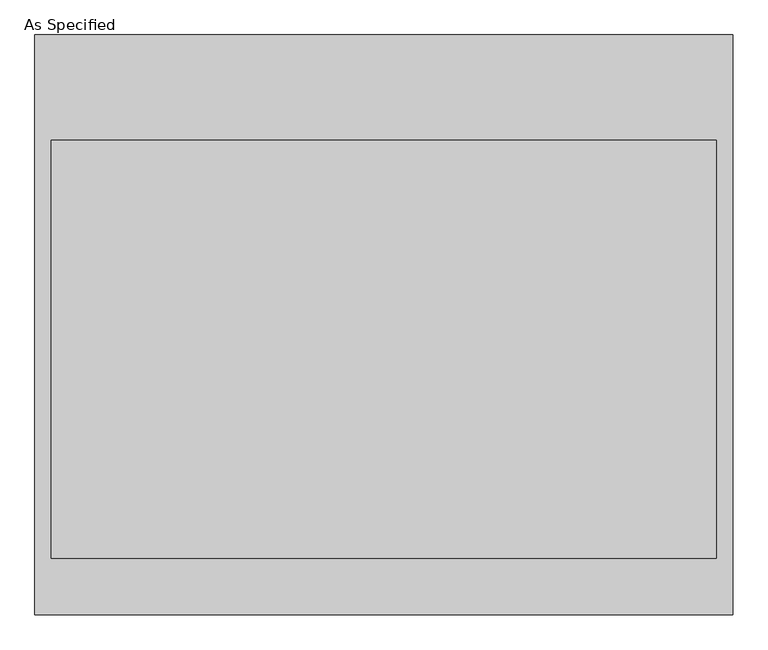
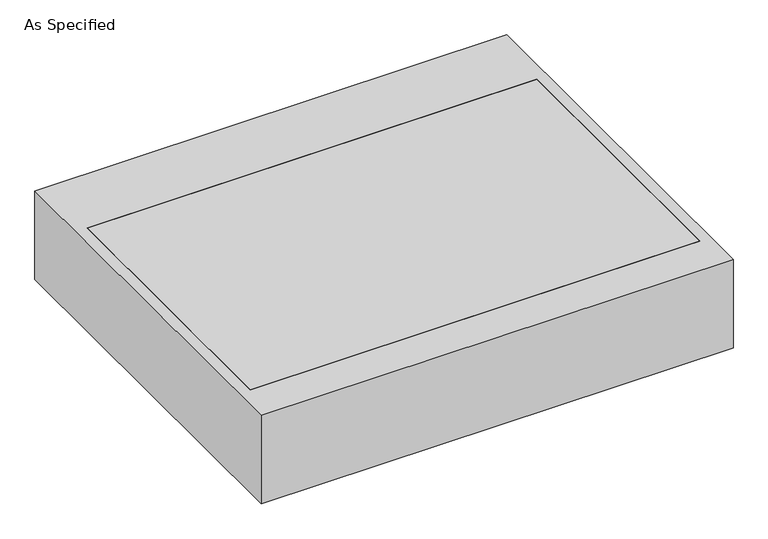
"""IFC4 building model written with IfcOpenShell, lengths in millimetres: proxy geometry, As Specified."""

import ifcopenshell
import ifcopenshell.guid

model = None  # the IFC model being written
_history = None  # IfcOwnerHistory: only IFC2X3 demands one
_inside = {}  # id of a spatial element -> (the spatial element, [elements in it])
_under = {}  # id of a project, library or spatial element -> (it, [spatial elements below it])
_declared = {}  # id of a project -> (the project, [libraries it declares])
_typed = {}  # id of a type object -> (the type object, [elements of that type])
_made_of = {}  # id of a material, layer set ... -> (it, [elements and type objects made of it])


def new_model(schema):
    """Start an empty IFC model of exactly this schema.

    Asked for "IFC4X3", IfcOpenShell would pick the latest addendum, in which some entities
    have other attributes; the version numbers below select the first issue.
    IFC2X3 requires an IfcOwnerHistory on every rooted entity: one is made here for all.
    """
    global model, _history
    if schema == "IFC4X3":
        model = ifcopenshell.file(schema_version=(4, 3, 0, 0))
    else:
        model = ifcopenshell.file(schema=schema)
    _inside.clear()
    _under.clear()
    _declared.clear()
    _typed.clear()
    _made_of.clear()
    _history = None
    if model.schema == "IFC2X3":
        org = make("IfcOrganization", Name="unknown")
        user = make(
            "IfcPersonAndOrganization",
            ThePerson=make("IfcPerson", FamilyName="unknown"),
            TheOrganization=org,
        )
        app = make(
            "IfcApplication",
            ApplicationDeveloper=org,
            Version="unknown",
            ApplicationFullName="unknown",
            ApplicationIdentifier="unknown",
        )
        _history = make(
            "IfcOwnerHistory",
            OwningUser=user,
            OwningApplication=app,
            ChangeAction="ADDED",
            CreationDate=0,
        )
    return model


def make(cls, **values):
    """One entity of the class cls with the attributes given. An attribute that is None is left unset."""
    return model.create_entity(
        cls, **{name: value for name, value in values.items() if value is not None}
    )


def rooted(cls, **values):
    """An entity with a GlobalId (a new one), such as an element, a storey or a relation."""
    return make(cls, GlobalId=ifcopenshell.guid.new(), OwnerHistory=_history, **values)


def si_unit(unit_type, name, prefix=None):
    """IfcSIUnit, for example si_unit("LENGTHUNIT", "METRE", prefix="MILLI")."""
    return make("IfcSIUnit", UnitType=unit_type, Prefix=prefix, Name=name)


def assignment(units):
    """IfcUnitAssignment: the units of a project."""
    return None if units is None else make("IfcUnitAssignment", Units=units)


def point(xyz):
    """IfcCartesianPoint."""
    return None if xyz is None else make("IfcCartesianPoint", Coordinates=xyz)


def direction(xyz):
    """IfcDirection."""
    return None if xyz is None else make("IfcDirection", DirectionRatios=xyz)


def frame(location, z_axis=None, x_axis=None):
    """IfcAxis2Placement3D, a coordinate frame: its origin and axes. An axis left out is left unset."""
    return make(
        "IfcAxis2Placement3D",
        Location=point(location),
        Axis=direction(z_axis),
        RefDirection=direction(x_axis),
    )


def origin():
    """The frame at (0, 0, 0) with its axes left unset."""
    return frame((0.0, 0.0, 0.0))


def place(relative_to, where):
    """IfcLocalPlacement: puts the frame where relative to a parent placement (None: the world)."""
    return make(
        "IfcLocalPlacement", PlacementRelTo=relative_to, RelativePlacement=where
    )


def context(
    kind, dimensions, precision=None, world=None, true_north=None, identifier=None
):
    """IfcGeometricRepresentationContext, for example the 3D "Model" context."""
    return make(
        "IfcGeometricRepresentationContext",
        ContextIdentifier=identifier,
        ContextType=kind,
        CoordinateSpaceDimension=dimensions,
        Precision=precision,
        WorldCoordinateSystem=world,
        TrueNorth=true_north,
    )


def project(units=None, contexts=None):
    """IfcProject with its units and contexts."""
    return rooted(
        "IfcProject",
        Name="project",
        RepresentationContexts=contexts,
        UnitsInContext=assignment(units),
    )


def spatial(cls, under=None, at=None, **own):
    """A site, building, storey or space (cls), placed at a placement, below another one or the project."""
    s = rooted(cls, ObjectPlacement=at, **own)
    if under is not None:
        _under.setdefault(under.id(), (under, []))[1].append(s)
    return s


def polyline(points):
    """IfcPolyline through the points."""
    return make("IfcPolyline", Points=[point(p) for p in points])


def outline(outer, holes=None, kind="AREA"):
    """IfcArbitraryClosedProfileDef: a profile drawn as a closed curve; with holes, ...WithVoids."""
    if holes is None:
        return make("IfcArbitraryClosedProfileDef", ProfileType=kind, OuterCurve=outer)
    return make(
        "IfcArbitraryProfileDefWithVoids",
        ProfileType=kind,
        OuterCurve=outer,
        InnerCurves=holes,
    )


def extrude(swept, where, along, depth):
    """IfcExtrudedAreaSolid: the profile swept, set in the frame where, extruded along a direction by depth."""
    return make(
        "IfcExtrudedAreaSolid",
        SweptArea=swept,
        Position=where,
        ExtrudedDirection=direction(along),
        Depth=depth,
    )


def faces_of(points, faces, orient=None, outer=None):
    """IfcFace entities. A face is a list of loops; a loop is a list of indices into points, from 0.

    orient and outer hold one flag for each loop. By default every Orientation is true, the
    first loop of a face is its IfcFaceOuterBound and the others are IfcFaceBound.
    """
    made = []
    for i, loops in enumerate(faces):
        bounds = []
        for j, loop in enumerate(loops):
            is_outer = j == 0 if outer is None else outer[i][j]
            bounds.append(
                make(
                    "IfcFaceOuterBound" if is_outer else "IfcFaceBound",
                    Bound=make("IfcPolyLoop", Polygon=[points[k] for k in loop]),
                    Orientation=True if orient is None else orient[i][j],
                )
            )
        made.append(make("IfcFace", Bounds=bounds))
    return made


def faceted_brep(points, faces, orient=None, outer=None, voids=None):
    """IfcFacetedBrep: a solid bounded by flat faces; with voids (closed shells), ...WithVoids."""
    shared = [point(p) for p in points]
    hull = make("IfcClosedShell", CfsFaces=faces_of(shared, faces, orient, outer))
    if voids is None:
        return make("IfcFacetedBrep", Outer=hull)
    return make(
        "IfcFacetedBrepWithVoids",
        Outer=hull,
        Voids=[
            make(cls, CfsFaces=faces_of(shared, fs, o, b)) for cls, fs, o, b in voids
        ],
    )


def shape(context_of_items, identifier, shape_type, items):
    """IfcShapeRepresentation: the items that make up one representation, for example the "Body"."""
    return make(
        "IfcShapeRepresentation",
        ContextOfItems=context_of_items,
        RepresentationIdentifier=identifier,
        RepresentationType=shape_type,
        Items=items,
    )


def source(mapping_origin, context_of_items, identifier, shape_type, items):
    """IfcRepresentationMap: a shape defined once, which mapped items show again and again."""
    return make(
        "IfcRepresentationMap",
        MappingOrigin=mapping_origin,
        MappedRepresentation=shape(context_of_items, identifier, shape_type, items),
    )


def transform(
    local_origin,
    x_axis=None,
    y_axis=None,
    z_axis=None,
    scale=None,
    scale2=None,
    scale3=None,
    uniform=True,
):
    """IfcCartesianTransformationOperator3D, or its non-uniform kind. x_axis, y_axis, z_axis: its Axis1, 2, 3."""
    if uniform:
        return make(
            "IfcCartesianTransformationOperator3D",
            Axis1=direction(x_axis),
            Axis2=direction(y_axis),
            LocalOrigin=point(local_origin),
            Scale=scale,
            Axis3=direction(z_axis),
        )
    return make(
        "IfcCartesianTransformationOperator3DnonUniform",
        Axis1=direction(x_axis),
        Axis2=direction(y_axis),
        LocalOrigin=point(local_origin),
        Scale=scale,
        Axis3=direction(z_axis),
        Scale2=scale2,
        Scale3=scale3,
    )


def mapped(mapping_source, mapping_target):
    """IfcMappedItem: shows the shape of a source again, moved by a transform."""
    return make(
        "IfcMappedItem", MappingSource=mapping_source, MappingTarget=mapping_target
    )


def made_of(thing, what):
    """Note that an element or type object is made of a material, layer set ...; save() writes the relation."""
    if what is not None:
        _made_of.setdefault(what.id(), (what, []))[1].append(thing)
    return thing


def element(
    cls,
    number,
    at=None,
    inside=None,
    cuts=None,
    type_object=None,
    material=None,
    context=None,
    identifier="Body",
    shape_type=None,
    held_by="IfcProductDefinitionShape",
    body=None,
    shapes=None,
    **own,
):
    """One element of the class cls, such as IfcWall. Its Tag is "e" and its number.

    at: its placement. inside: the storey or other place that contains it. cuts: it is an
    opening in that element (IfcRelVoidsElement). A single representation is given by context,
    identifier, shape_type and body (its items); several are given by shapes. held_by: the class
    of the entity that holds the representations. save() writes the other relations.
    """
    e = rooted(cls, Tag="e%d" % number, ObjectPlacement=at, **own)
    if body is not None:
        shapes = [shape(context, identifier, shape_type, body)]
    if shapes is not None:
        e.Representation = make(held_by, Representations=shapes)
    if inside is not None:
        _inside.setdefault(inside.id(), (inside, []))[1].append(e)
    if cuts is not None:
        rooted(
            "IfcRelVoidsElement", RelatingBuildingElement=cuts, RelatedOpeningElement=e
        )
    if type_object is not None:
        _typed.setdefault(type_object.id(), (type_object, []))[1].append(e)
    return made_of(e, material)


def aggregate(whole, parts):
    """IfcRelAggregates: a whole, such as a stair, and the parts it consists of."""
    return rooted("IfcRelAggregates", RelatingObject=whole, RelatedObjects=parts)


def save(model, path):
    """Write the relations noted so far, then the file.

    IfcRelAggregates (storeys below a building ...), IfcRelContainedInSpatialStructure (elements
    in a storey), IfcRelDefinesByType, IfcRelAssociatesMaterial and IfcRelDeclares: one each for
    every whole, place, type object, material and project.
    """
    for whole, parts in _under.values():
        aggregate(whole, parts)
    for where, things in _inside.values():
        rooted(
            "IfcRelContainedInSpatialStructure",
            RelatedElements=things,
            RelatingStructure=where,
        )
    for kind, things in _typed.values():
        rooted("IfcRelDefinesByType", RelatedObjects=things, RelatingType=kind)
    for what, things in _made_of.values():
        rooted("IfcRelAssociatesMaterial", RelatedObjects=things, RelatingMaterial=what)
    for by, libraries in _declared.values():
        rooted("IfcRelDeclares", RelatingContext=by, RelatedDefinitions=libraries)
    model.write(path)


def as_specified_a1da5dff(model_context):
    return source(origin(), model_context, "Body", "SolidModel", [
        faceted_brep([(-1273.175, 1057.275, -25.4), (-1273.175, 1057.275, -530.225), (-1273.175, -1057.275, -530.225), (-1273.175, -1057.275, -25.4), (-1212.85, 673.1, -25.4), (-1212.85, -850.9, -25.4), (-1212.85, -850.9, -373.0625), (-1212.85, 673.1, -373.0625), (1273.175, 1057.275, -25.4), (1273.175, -1057.275, -25.4), (1212.85, 673.1, -25.4), (1212.85, -850.9, -25.4), (1273.175, -1057.275, -530.225), (1273.175, 1057.275, -530.225), (1212.85, 673.1, -373.0625), (1212.85, -850.9, -373.0625)], [[[0, 1, 2, 3]], [[4, 5, 6, 7]], [[8, 0, 3, 9], [5, 4, 10, 11]], [[8, 9, 12, 13]], [[12, 9, 3, 2]], [[13, 12, 2, 1]], [[8, 13, 1, 0]], [[4, 7, 14, 10]], [[7, 6, 15, 14]], [[6, 5, 11, 15]], [[11, 10, 14, 15]]]),
        extrude(outline(polyline([(1212.85, 673.1), (1212.85, -850.9), (-1212.85, -850.9), (-1212.85, 673.1), (1212.85, 673.1)])), frame((0.0, 0.0, -373.0625), z_axis=(0.0, 0.0, 1.0), x_axis=(1.0, 0.0, 0.0)), (0.0, 0.0, 1.0), 347.6625),
    ])


if __name__ == "__main__":
    model = new_model("IFC4")
    model_context = context("Model", 3, world=origin())
    ifc_project = project(units=[si_unit("LENGTHUNIT", "METRE", prefix="MILLI")], contexts=[model_context])
    site = spatial("IfcSite", under=ifc_project)
    building = spatial("IfcBuilding", under=site)
    placement = place(None, origin())
    as_specified_shape = as_specified_a1da5dff(model_context)
    element("IfcBuildingElementProxy", 1, Name="As Specified", ObjectType="As Specified", at=placement, inside=building, context=model_context, shape_type="MappedRepresentation", body=[
        mapped(as_specified_shape, transform((0.0, 0.0, 0.0), x_axis=(1.0, 0.0, 0.0), y_axis=(0.0, 1.0, 0.0), z_axis=(0.0, 0.0, 1.0))),
    ])
    save(model, "model.ifc")
